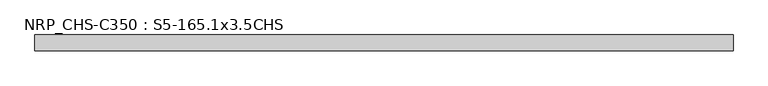
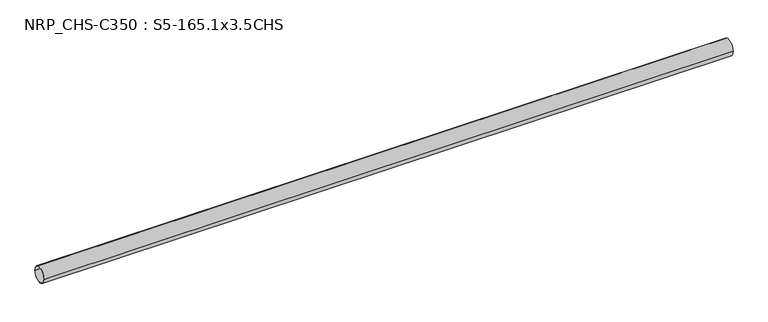
"""IFC4 building model written with IfcOpenShell, lengths in millimetres: beam geometry, NRP_CHS-C350 : S5-165.1x3.5CHS."""

import ifcopenshell
import ifcopenshell.guid

model = None  # the IFC model being written
_history = None  # IfcOwnerHistory: only IFC2X3 demands one
_inside = {}  # id of a spatial element -> (the spatial element, [elements in it])
_under = {}  # id of a project, library or spatial element -> (it, [spatial elements below it])
_declared = {}  # id of a project -> (the project, [libraries it declares])
_typed = {}  # id of a type object -> (the type object, [elements of that type])
_made_of = {}  # id of a material, layer set ... -> (it, [elements and type objects made of it])


def new_model(schema):
    """Start an empty IFC model of exactly this schema.

    Asked for "IFC4X3", IfcOpenShell would pick the latest addendum, in which some entities
    have other attributes; the version numbers below select the first issue.
    IFC2X3 requires an IfcOwnerHistory on every rooted entity: one is made here for all.
    """
    global model, _history
    if schema == "IFC4X3":
        model = ifcopenshell.file(schema_version=(4, 3, 0, 0))
    else:
        model = ifcopenshell.file(schema=schema)
    _inside.clear()
    _under.clear()
    _declared.clear()
    _typed.clear()
    _made_of.clear()
    _history = None
    if model.schema == "IFC2X3":
        org = make("IfcOrganization", Name="unknown")
        user = make(
            "IfcPersonAndOrganization",
            ThePerson=make("IfcPerson", FamilyName="unknown"),
            TheOrganization=org,
        )
        app = make(
            "IfcApplication",
            ApplicationDeveloper=org,
            Version="unknown",
            ApplicationFullName="unknown",
            ApplicationIdentifier="unknown",
        )
        _history = make(
            "IfcOwnerHistory",
            OwningUser=user,
            OwningApplication=app,
            ChangeAction="ADDED",
            CreationDate=0,
        )
    return model


def make(cls, **values):
    """One entity of the class cls with the attributes given. An attribute that is None is left unset."""
    return model.create_entity(
        cls, **{name: value for name, value in values.items() if value is not None}
    )


def rooted(cls, **values):
    """An entity with a GlobalId (a new one), such as an element, a storey or a relation."""
    return make(cls, GlobalId=ifcopenshell.guid.new(), OwnerHistory=_history, **values)


def si_unit(unit_type, name, prefix=None):
    """IfcSIUnit, for example si_unit("LENGTHUNIT", "METRE", prefix="MILLI")."""
    return make("IfcSIUnit", UnitType=unit_type, Prefix=prefix, Name=name)


def assignment(units):
    """IfcUnitAssignment: the units of a project."""
    return None if units is None else make("IfcUnitAssignment", Units=units)


def point(xyz):
    """IfcCartesianPoint."""
    return None if xyz is None else make("IfcCartesianPoint", Coordinates=xyz)


def direction(xyz):
    """IfcDirection."""
    return None if xyz is None else make("IfcDirection", DirectionRatios=xyz)


def frame(location, z_axis=None, x_axis=None):
    """IfcAxis2Placement3D, a coordinate frame: its origin and axes. An axis left out is left unset."""
    return make(
        "IfcAxis2Placement3D",
        Location=point(location),
        Axis=direction(z_axis),
        RefDirection=direction(x_axis),
    )


def frame_2d(location, x_axis=None):
    """IfcAxis2Placement2D, a coordinate frame in the plane: its origin and x axis."""
    return make(
        "IfcAxis2Placement2D", Location=point(location), RefDirection=direction(x_axis)
    )


def origin():
    """The frame at (0, 0, 0) with its axes left unset."""
    return frame((0.0, 0.0, 0.0))


def origin_2d():
    """The frame at (0, 0) in the plane with its x axis left unset."""
    return frame_2d((0.0, 0.0))


def place(relative_to, where):
    """IfcLocalPlacement: puts the frame where relative to a parent placement (None: the world)."""
    return make(
        "IfcLocalPlacement", PlacementRelTo=relative_to, RelativePlacement=where
    )


def context(
    kind, dimensions, precision=None, world=None, true_north=None, identifier=None
):
    """IfcGeometricRepresentationContext, for example the 3D "Model" context."""
    return make(
        "IfcGeometricRepresentationContext",
        ContextIdentifier=identifier,
        ContextType=kind,
        CoordinateSpaceDimension=dimensions,
        Precision=precision,
        WorldCoordinateSystem=world,
        TrueNorth=true_north,
    )


def project(units=None, contexts=None):
    """IfcProject with its units and contexts."""
    return rooted(
        "IfcProject",
        Name="project",
        RepresentationContexts=contexts,
        UnitsInContext=assignment(units),
    )


def spatial(cls, under=None, at=None, **own):
    """A site, building, storey or space (cls), placed at a placement, below another one or the project."""
    s = rooted(cls, ObjectPlacement=at, **own)
    if under is not None:
        _under.setdefault(under.id(), (under, []))[1].append(s)
    return s


def circle_curve(where, radius):
    """IfcCircle in the frame where."""
    return make("IfcCircle", Position=where, Radius=radius)


def trimmed(basis, trim1, trim2, sense, master):
    """IfcTrimmedCurve: the piece of a basis curve between two trims."""
    return make(
        "IfcTrimmedCurve",
        BasisCurve=basis,
        Trim1=trim1,
        Trim2=trim2,
        SenseAgreement=sense,
        MasterRepresentation=master,
    )


def segment(curve, same_sense, transition):
    """IfcCompositeCurveSegment."""
    return make(
        "IfcCompositeCurveSegment",
        Transition=transition,
        SameSense=same_sense,
        ParentCurve=curve,
    )


def composite_curve(segments, self_intersect=None):
    """IfcCompositeCurve: segments joined end to end."""
    return make("IfcCompositeCurve", Segments=segments, SelfIntersect=self_intersect)


def outline(outer, holes=None, kind="AREA"):
    """IfcArbitraryClosedProfileDef: a profile drawn as a closed curve; with holes, ...WithVoids."""
    if holes is None:
        return make("IfcArbitraryClosedProfileDef", ProfileType=kind, OuterCurve=outer)
    return make(
        "IfcArbitraryProfileDefWithVoids",
        ProfileType=kind,
        OuterCurve=outer,
        InnerCurves=holes,
    )


def extrude(swept, where, along, depth):
    """IfcExtrudedAreaSolid: the profile swept, set in the frame where, extruded along a direction by depth."""
    return make(
        "IfcExtrudedAreaSolid",
        SweptArea=swept,
        Position=where,
        ExtrudedDirection=direction(along),
        Depth=depth,
    )


def shape(context_of_items, identifier, shape_type, items):
    """IfcShapeRepresentation: the items that make up one representation, for example the "Body"."""
    return make(
        "IfcShapeRepresentation",
        ContextOfItems=context_of_items,
        RepresentationIdentifier=identifier,
        RepresentationType=shape_type,
        Items=items,
    )


def source(mapping_origin, context_of_items, identifier, shape_type, items):
    """IfcRepresentationMap: a shape defined once, which mapped items show again and again."""
    return make(
        "IfcRepresentationMap",
        MappingOrigin=mapping_origin,
        MappedRepresentation=shape(context_of_items, identifier, shape_type, items),
    )


def transform(
    local_origin,
    x_axis=None,
    y_axis=None,
    z_axis=None,
    scale=None,
    scale2=None,
    scale3=None,
    uniform=True,
):
    """IfcCartesianTransformationOperator3D, or its non-uniform kind. x_axis, y_axis, z_axis: its Axis1, 2, 3."""
    if uniform:
        return make(
            "IfcCartesianTransformationOperator3D",
            Axis1=direction(x_axis),
            Axis2=direction(y_axis),
            LocalOrigin=point(local_origin),
            Scale=scale,
            Axis3=direction(z_axis),
        )
    return make(
        "IfcCartesianTransformationOperator3DnonUniform",
        Axis1=direction(x_axis),
        Axis2=direction(y_axis),
        LocalOrigin=point(local_origin),
        Scale=scale,
        Axis3=direction(z_axis),
        Scale2=scale2,
        Scale3=scale3,
    )


def mapped(mapping_source, mapping_target):
    """IfcMappedItem: shows the shape of a source again, moved by a transform."""
    return make(
        "IfcMappedItem", MappingSource=mapping_source, MappingTarget=mapping_target
    )


def made_of(thing, what):
    """Note that an element or type object is made of a material, layer set ...; save() writes the relation."""
    if what is not None:
        _made_of.setdefault(what.id(), (what, []))[1].append(thing)
    return thing


def element(
    cls,
    number,
    at=None,
    inside=None,
    cuts=None,
    type_object=None,
    material=None,
    context=None,
    identifier="Body",
    shape_type=None,
    held_by="IfcProductDefinitionShape",
    body=None,
    shapes=None,
    **own,
):
    """One element of the class cls, such as IfcWall. Its Tag is "e" and its number.

    at: its placement. inside: the storey or other place that contains it. cuts: it is an
    opening in that element (IfcRelVoidsElement). A single representation is given by context,
    identifier, shape_type and body (its items); several are given by shapes. held_by: the class
    of the entity that holds the representations. save() writes the other relations.
    """
    e = rooted(cls, Tag="e%d" % number, ObjectPlacement=at, **own)
    if body is not None:
        shapes = [shape(context, identifier, shape_type, body)]
    if shapes is not None:
        e.Representation = make(held_by, Representations=shapes)
    if inside is not None:
        _inside.setdefault(inside.id(), (inside, []))[1].append(e)
    if cuts is not None:
        rooted(
            "IfcRelVoidsElement", RelatingBuildingElement=cuts, RelatedOpeningElement=e
        )
    if type_object is not None:
        _typed.setdefault(type_object.id(), (type_object, []))[1].append(e)
    return made_of(e, material)


def aggregate(whole, parts):
    """IfcRelAggregates: a whole, such as a stair, and the parts it consists of."""
    return rooted("IfcRelAggregates", RelatingObject=whole, RelatedObjects=parts)


def save(model, path):
    """Write the relations noted so far, then the file.

    IfcRelAggregates (storeys below a building ...), IfcRelContainedInSpatialStructure (elements
    in a storey), IfcRelDefinesByType, IfcRelAssociatesMaterial and IfcRelDeclares: one each for
    every whole, place, type object, material and project.
    """
    for whole, parts in _under.values():
        aggregate(whole, parts)
    for where, things in _inside.values():
        rooted(
            "IfcRelContainedInSpatialStructure",
            RelatedElements=things,
            RelatingStructure=where,
        )
    for kind, things in _typed.values():
        rooted("IfcRelDefinesByType", RelatedObjects=things, RelatingType=kind)
    for what, things in _made_of.values():
        rooted("IfcRelAssociatesMaterial", RelatedObjects=things, RelatingMaterial=what)
    for by, libraries in _declared.values():
        rooted("IfcRelDeclares", RelatingContext=by, RelatedDefinitions=libraries)
    model.write(path)


def nrp_chs_c350_s5_165_1x3_5chs_7858f30d(model_context):
    return source(origin(), model_context, "Body", "SweptSolid", [
        extrude(outline(composite_curve([segment(trimmed(circle_curve(origin_2d(), 82.55), [point((-82.55, 0.0))], [point((82.55, 0.0))], False, "CARTESIAN"), True, "CONTINUOUS"), segment(trimmed(circle_curve(origin_2d(), 82.55), [point((82.55, 0.0))], [point((-82.55, 0.0))], False, "CARTESIAN"), True, "CONTINUOUS")], self_intersect=False), holes=[composite_curve([segment(trimmed(circle_curve(origin_2d(), 79.05), [point((79.05, 0.0))], [point((-79.05, 0.0))], True, "CARTESIAN"), True, "CONTINUOUS"), segment(trimmed(circle_curve(origin_2d(), 79.05), [point((-79.05, 0.0))], [point((79.05, 0.0))], True, "CARTESIAN"), True, "CONTINUOUS")], self_intersect=False)]), frame((-3604.05, 0.0, 0.0), z_axis=(1.0, 0.0, 0.0), x_axis=(0.0, 1.0, 0.0)), (0.0, 0.0, 1.0), 7168.6),
    ])


if __name__ == "__main__":
    model = new_model("IFC4")
    model_context = context("Model", 3, world=origin())
    ifc_project = project(units=[si_unit("LENGTHUNIT", "METRE", prefix="MILLI")], contexts=[model_context])
    site = spatial("IfcSite", under=ifc_project)
    building = spatial("IfcBuilding", under=site)
    placement = place(None, origin())
    nrp_chs_c350_s5_165_1x3_5chs_shape = nrp_chs_c350_s5_165_1x3_5chs_7858f30d(model_context)
    element("IfcBeam", 1, ObjectType="NRP_CHS-C350 : S5-165.1x3.5CHS", at=placement, inside=building, context=model_context, shape_type="MappedRepresentation", body=[
        mapped(nrp_chs_c350_s5_165_1x3_5chs_shape, transform((0.0, 0.0, 0.0), x_axis=(1.0, 0.0, 0.0), y_axis=(0.0, 1.0, 0.0), z_axis=(0.0, 0.0, 1.0))),
    ])
    save(model, "model.ifc")
